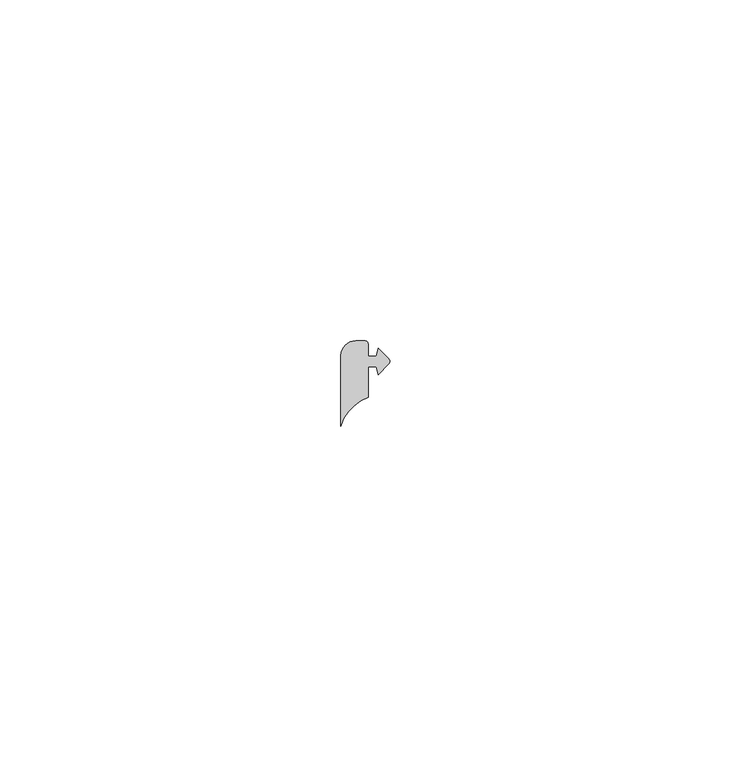
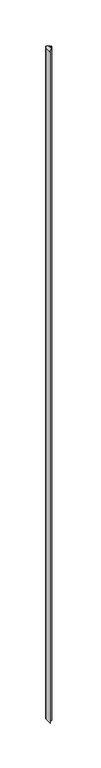
"""IFC4 building model written with IfcOpenShell, lengths in millimetres: proxy geometry."""

from ifc_helpers import new_model, si_unit, point, frame, frame_2d, origin, place, context, project, spatial, polyline, circle_curve, trimmed, segment, composite_curve, outline, extrude, source, transform, mapped, element, save


def generic_models_8923f68d(model_context):
    return source(origin(), model_context, "Body", "SweptSolid", [
        extrude(outline(composite_curve([segment(polyline([(37244.6926168, -22037.8494677), (37244.6926168, -22027.4580753)]), True, "CONTINUOUS"), segment(trimmed(circle_curve(frame_2d((37246.8999492, -22027.5668051)), 2.2100088), [point((37244.6926168, -22027.4580753))], [point((37246.8796809, -22025.3568893))], False, "CARTESIAN"), True, "CONTINUOUS"), segment(polyline([(37246.8796809, -22025.3568893), (37248.1848522, -22025.3568893)]), True, "CONTINUOUS"), segment(trimmed(circle_curve(frame_2d((37248.1848522, -22025.8649007)), 0.5080114), [point((37248.1848522, -22025.3568893))], [point((37248.6925922, -22025.8815048))], False, "CARTESIAN"), True, "CONTINUOUS"), segment(polyline([(37248.6925922, -22025.8815048), (37248.6925922, -22027.6023877), (37249.8555896, -22027.6023877), (37250.1947492, -22026.4110433), (37251.7246655, -22028.0106881)]), True, "CONTINUOUS"), segment(trimmed(circle_curve(frame_2d((37251.3598522, -22028.3643623)), 0.5081085), [point((37251.7246655, -22028.0106881))], [point((37251.709368, -22028.7331616))], False, "CARTESIAN"), True, "CONTINUOUS"), segment(polyline([(37251.709368, -22028.7331616), (37250.2069556, -22030.3043816), (37249.8645542, -22029.126585), (37248.6931005, -22029.126585), (37248.6931005, -22033.6260261)]), True, "CONTINUOUS"), segment(trimmed(circle_curve(frame_2d((37250.9388458, -22039.7595861)), 6.5317631), [point((37248.6931005, -22033.6260261))], [point((37244.6926168, -22037.8494677))], True, "CARTESIAN"), True, "CONTINUOUS")], self_intersect=False)), frame((0.0, 0.0, 1524.0), z_axis=(0.0, 0.0, 1.0), x_axis=(1.0, 0.0, 0.0)), (0.0, 0.0, 1.0), 914.4),
    ])


if __name__ == "__main__":
    model = new_model("IFC4")
    model_context = context("Model", 3, world=origin())
    ifc_project = project(units=[si_unit("LENGTHUNIT", "METRE", prefix="MILLI")], contexts=[model_context])
    site = spatial("IfcSite", under=ifc_project)
    building = spatial("IfcBuilding", under=site)
    placement = place(None, origin())
    generic_models_shape = generic_models_8923f68d(model_context)
    element("IfcBuildingElementProxy", 1, Name="Generic Models", at=placement, inside=building, context=model_context, shape_type="MappedRepresentation", body=[
        mapped(generic_models_shape, transform((0.0, 0.0, 0.0), x_axis=(1.0, 0.0, 0.0), y_axis=(0.0, 1.0, 0.0), z_axis=(0.0, 0.0, 1.0))),
    ])
    save(model, "model.ifc")
